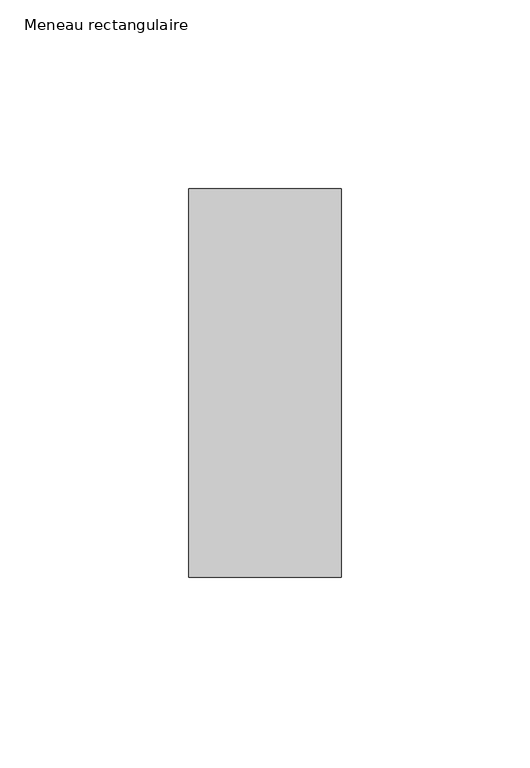
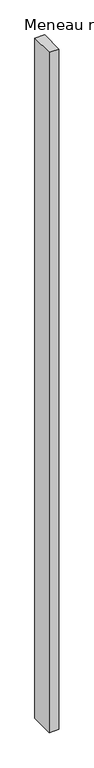
"""IFC4 building model written with IfcOpenShell, lengths in millimetres: member geometry, Meneau rectangulaire."""

import ifcopenshell
import ifcopenshell.guid

model = None  # the IFC model being written
_history = None  # IfcOwnerHistory: only IFC2X3 demands one
_inside = {}  # id of a spatial element -> (the spatial element, [elements in it])
_under = {}  # id of a project, library or spatial element -> (it, [spatial elements below it])
_declared = {}  # id of a project -> (the project, [libraries it declares])
_typed = {}  # id of a type object -> (the type object, [elements of that type])
_made_of = {}  # id of a material, layer set ... -> (it, [elements and type objects made of it])


def new_model(schema):
    """Start an empty IFC model of exactly this schema.

    Asked for "IFC4X3", IfcOpenShell would pick the latest addendum, in which some entities
    have other attributes; the version numbers below select the first issue.
    IFC2X3 requires an IfcOwnerHistory on every rooted entity: one is made here for all.
    """
    global model, _history
    if schema == "IFC4X3":
        model = ifcopenshell.file(schema_version=(4, 3, 0, 0))
    else:
        model = ifcopenshell.file(schema=schema)
    _inside.clear()
    _under.clear()
    _declared.clear()
    _typed.clear()
    _made_of.clear()
    _history = None
    if model.schema == "IFC2X3":
        org = make("IfcOrganization", Name="unknown")
        user = make(
            "IfcPersonAndOrganization",
            ThePerson=make("IfcPerson", FamilyName="unknown"),
            TheOrganization=org,
        )
        app = make(
            "IfcApplication",
            ApplicationDeveloper=org,
            Version="unknown",
            ApplicationFullName="unknown",
            ApplicationIdentifier="unknown",
        )
        _history = make(
            "IfcOwnerHistory",
            OwningUser=user,
            OwningApplication=app,
            ChangeAction="ADDED",
            CreationDate=0,
        )
    return model


def make(cls, **values):
    """One entity of the class cls with the attributes given. An attribute that is None is left unset."""
    return model.create_entity(
        cls, **{name: value for name, value in values.items() if value is not None}
    )


def rooted(cls, **values):
    """An entity with a GlobalId (a new one), such as an element, a storey or a relation."""
    return make(cls, GlobalId=ifcopenshell.guid.new(), OwnerHistory=_history, **values)


def si_unit(unit_type, name, prefix=None):
    """IfcSIUnit, for example si_unit("LENGTHUNIT", "METRE", prefix="MILLI")."""
    return make("IfcSIUnit", UnitType=unit_type, Prefix=prefix, Name=name)


def assignment(units):
    """IfcUnitAssignment: the units of a project."""
    return None if units is None else make("IfcUnitAssignment", Units=units)


def point(xyz):
    """IfcCartesianPoint."""
    return None if xyz is None else make("IfcCartesianPoint", Coordinates=xyz)


def direction(xyz):
    """IfcDirection."""
    return None if xyz is None else make("IfcDirection", DirectionRatios=xyz)


def frame(location, z_axis=None, x_axis=None):
    """IfcAxis2Placement3D, a coordinate frame: its origin and axes. An axis left out is left unset."""
    return make(
        "IfcAxis2Placement3D",
        Location=point(location),
        Axis=direction(z_axis),
        RefDirection=direction(x_axis),
    )


def origin():
    """The frame at (0, 0, 0) with its axes left unset."""
    return frame((0.0, 0.0, 0.0))


def place(relative_to, where):
    """IfcLocalPlacement: puts the frame where relative to a parent placement (None: the world)."""
    return make(
        "IfcLocalPlacement", PlacementRelTo=relative_to, RelativePlacement=where
    )


def context(
    kind, dimensions, precision=None, world=None, true_north=None, identifier=None
):
    """IfcGeometricRepresentationContext, for example the 3D "Model" context."""
    return make(
        "IfcGeometricRepresentationContext",
        ContextIdentifier=identifier,
        ContextType=kind,
        CoordinateSpaceDimension=dimensions,
        Precision=precision,
        WorldCoordinateSystem=world,
        TrueNorth=true_north,
    )


def project(units=None, contexts=None):
    """IfcProject with its units and contexts."""
    return rooted(
        "IfcProject",
        Name="project",
        RepresentationContexts=contexts,
        UnitsInContext=assignment(units),
    )


def spatial(cls, under=None, at=None, **own):
    """A site, building, storey or space (cls), placed at a placement, below another one or the project."""
    s = rooted(cls, ObjectPlacement=at, **own)
    if under is not None:
        _under.setdefault(under.id(), (under, []))[1].append(s)
    return s


def polyline(points):
    """IfcPolyline through the points."""
    return make("IfcPolyline", Points=[point(p) for p in points])


def outline(outer, holes=None, kind="AREA"):
    """IfcArbitraryClosedProfileDef: a profile drawn as a closed curve; with holes, ...WithVoids."""
    if holes is None:
        return make("IfcArbitraryClosedProfileDef", ProfileType=kind, OuterCurve=outer)
    return make(
        "IfcArbitraryProfileDefWithVoids",
        ProfileType=kind,
        OuterCurve=outer,
        InnerCurves=holes,
    )


def extrude(swept, where, along, depth):
    """IfcExtrudedAreaSolid: the profile swept, set in the frame where, extruded along a direction by depth."""
    return make(
        "IfcExtrudedAreaSolid",
        SweptArea=swept,
        Position=where,
        ExtrudedDirection=direction(along),
        Depth=depth,
    )


def shape(context_of_items, identifier, shape_type, items):
    """IfcShapeRepresentation: the items that make up one representation, for example the "Body"."""
    return make(
        "IfcShapeRepresentation",
        ContextOfItems=context_of_items,
        RepresentationIdentifier=identifier,
        RepresentationType=shape_type,
        Items=items,
    )


def source(mapping_origin, context_of_items, identifier, shape_type, items):
    """IfcRepresentationMap: a shape defined once, which mapped items show again and again."""
    return make(
        "IfcRepresentationMap",
        MappingOrigin=mapping_origin,
        MappedRepresentation=shape(context_of_items, identifier, shape_type, items),
    )


def transform(
    local_origin,
    x_axis=None,
    y_axis=None,
    z_axis=None,
    scale=None,
    scale2=None,
    scale3=None,
    uniform=True,
):
    """IfcCartesianTransformationOperator3D, or its non-uniform kind. x_axis, y_axis, z_axis: its Axis1, 2, 3."""
    if uniform:
        return make(
            "IfcCartesianTransformationOperator3D",
            Axis1=direction(x_axis),
            Axis2=direction(y_axis),
            LocalOrigin=point(local_origin),
            Scale=scale,
            Axis3=direction(z_axis),
        )
    return make(
        "IfcCartesianTransformationOperator3DnonUniform",
        Axis1=direction(x_axis),
        Axis2=direction(y_axis),
        LocalOrigin=point(local_origin),
        Scale=scale,
        Axis3=direction(z_axis),
        Scale2=scale2,
        Scale3=scale3,
    )


def mapped(mapping_source, mapping_target):
    """IfcMappedItem: shows the shape of a source again, moved by a transform."""
    return make(
        "IfcMappedItem", MappingSource=mapping_source, MappingTarget=mapping_target
    )


def made_of(thing, what):
    """Note that an element or type object is made of a material, layer set ...; save() writes the relation."""
    if what is not None:
        _made_of.setdefault(what.id(), (what, []))[1].append(thing)
    return thing


def element(
    cls,
    number,
    at=None,
    inside=None,
    cuts=None,
    type_object=None,
    material=None,
    context=None,
    identifier="Body",
    shape_type=None,
    held_by="IfcProductDefinitionShape",
    body=None,
    shapes=None,
    **own,
):
    """One element of the class cls, such as IfcWall. Its Tag is "e" and its number.

    at: its placement. inside: the storey or other place that contains it. cuts: it is an
    opening in that element (IfcRelVoidsElement). A single representation is given by context,
    identifier, shape_type and body (its items); several are given by shapes. held_by: the class
    of the entity that holds the representations. save() writes the other relations.
    """
    e = rooted(cls, Tag="e%d" % number, ObjectPlacement=at, **own)
    if body is not None:
        shapes = [shape(context, identifier, shape_type, body)]
    if shapes is not None:
        e.Representation = make(held_by, Representations=shapes)
    if inside is not None:
        _inside.setdefault(inside.id(), (inside, []))[1].append(e)
    if cuts is not None:
        rooted(
            "IfcRelVoidsElement", RelatingBuildingElement=cuts, RelatedOpeningElement=e
        )
    if type_object is not None:
        _typed.setdefault(type_object.id(), (type_object, []))[1].append(e)
    return made_of(e, material)


def aggregate(whole, parts):
    """IfcRelAggregates: a whole, such as a stair, and the parts it consists of."""
    return rooted("IfcRelAggregates", RelatingObject=whole, RelatedObjects=parts)


def save(model, path):
    """Write the relations noted so far, then the file.

    IfcRelAggregates (storeys below a building ...), IfcRelContainedInSpatialStructure (elements
    in a storey), IfcRelDefinesByType, IfcRelAssociatesMaterial and IfcRelDeclares: one each for
    every whole, place, type object, material and project.
    """
    for whole, parts in _under.values():
        aggregate(whole, parts)
    for where, things in _inside.values():
        rooted(
            "IfcRelContainedInSpatialStructure",
            RelatedElements=things,
            RelatingStructure=where,
        )
    for kind, things in _typed.values():
        rooted("IfcRelDefinesByType", RelatedObjects=things, RelatingType=kind)
    for what, things in _made_of.values():
        rooted("IfcRelAssociatesMaterial", RelatedObjects=things, RelatingMaterial=what)
    for by, libraries in _declared.values():
        rooted("IfcRelDeclares", RelatingContext=by, RelatedDefinitions=libraries)
    model.write(path)


def meneau_rectangulaire_11bff183(model_context):
    return source(origin(), model_context, "Body", "SweptSolid", [
        extrude(outline(polyline([(-40.4444905, -51.4913803), (-40.4444905, 51.5), (0.0, 51.5), (0.0, -51.4913803), (-40.4444905, -51.4913803)])), frame((0.0, 0.0, -3000.0), z_axis=(0.0, 0.0, 1.0), x_axis=(1.0, 0.0, 0.0)), (0.0, 0.0, 1.0), 3000.0),
    ])


if __name__ == "__main__":
    model = new_model("IFC4")
    model_context = context("Model", 3, world=origin())
    ifc_project = project(units=[si_unit("LENGTHUNIT", "METRE", prefix="MILLI")], contexts=[model_context])
    site = spatial("IfcSite", under=ifc_project)
    building = spatial("IfcBuilding", under=site)
    placement = place(None, origin())
    meneau_rectangulaire_shape = meneau_rectangulaire_11bff183(model_context)
    element("IfcMember", 1, ObjectType="Meneau rectangulaire", at=placement, inside=building, context=model_context, shape_type="MappedRepresentation", body=[
        mapped(meneau_rectangulaire_shape, transform((0.0, 0.0, 0.0), x_axis=(1.0, 0.0, 0.0), y_axis=(0.0, 1.0, 0.0), z_axis=(0.0, 0.0, 1.0))),
    ])
    save(model, "model.ifc")
